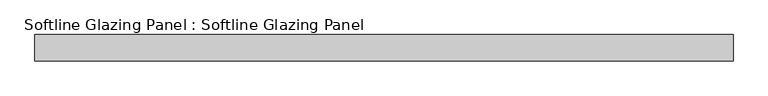
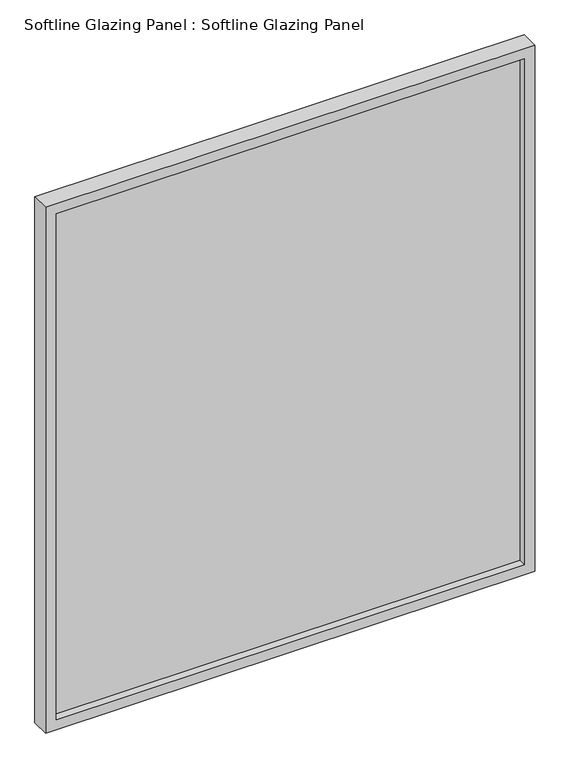
"""IFC4 building model written with IfcOpenShell, lengths in millimetres: plate geometry, Softline Glazing Panel : Softline Glazing Panel."""

from ifc_helpers import new_model, si_unit, frame, origin, place, context, project, spatial, polyline, outline, extrude, faceted_brep, source, transform, mapped, element, save


def softline_glazing_panel_softline_glazing_panel_5a23b535(model_context):
    return source(origin(), model_context, "Body", "SolidModel", [
        extrude(outline(polyline([(584.0, 4.0), (584.0, -4.0), (-584.0, -4.0), (-584.0, 4.0), (584.0, 4.0)])), frame((0.0, 0.0, 16.0), z_axis=(0.0, 0.0, 1.0), x_axis=(1.0, 0.0, 0.0)), (0.0, 0.0, 1.0), 1331.0),
        faceted_brep([(574.0, 4.0, 26.0), (574.0, 22.5, 26.0), (-574.0, 22.5, 26.0), (-574.0, 4.0, 26.0), (584.0, -4.0, 16.0), (584.0, 4.0, 16.0), (-584.0, 4.0, 16.0), (-584.0, -4.0, 16.0), (574.0, -22.5, 26.0), (574.0, -4.0, 26.0), (-574.0, -4.0, 26.0), (-574.0, -22.5, 26.0), (600.0, 22.5, 0.0), (600.0, -22.5, 0.0), (-600.0, -22.5, 0.0), (-600.0, 22.5, 0.0), (-574.0, 22.5, 1337.0), (-574.0, 4.0, 1337.0), (-584.0, 4.0, 1347.0), (-584.0, -4.0, 1347.0), (-574.0, -4.0, 1337.0), (-574.0, -22.5, 1337.0), (-600.0, -22.5, 1363.0), (-600.0, 22.5, 1363.0), (574.0, 22.5, 1337.0), (574.0, 4.0, 1337.0), (584.0, 4.0, 1347.0), (584.0, -4.0, 1347.0), (574.0, -4.0, 1337.0), (574.0, -22.5, 1337.0), (600.0, -22.5, 1363.0), (600.0, 22.5, 1363.0)], [[[0, 1, 2, 3]], [[4, 5, 6, 7]], [[8, 9, 10, 11]], [[12, 13, 14, 15]], [[3, 2, 16, 17]], [[7, 6, 18, 19]], [[11, 10, 20, 21]], [[15, 14, 22, 23]], [[17, 16, 24, 25]], [[19, 18, 26, 27]], [[21, 20, 28, 29]], [[23, 22, 30, 31]], [[15, 23, 31, 12], [1, 24, 16, 2]], [[25, 24, 1, 0]], [[5, 26, 18, 6], [3, 17, 25, 0]], [[27, 26, 5, 4]], [[7, 19, 27, 4], [9, 28, 20, 10]], [[29, 28, 9, 8]], [[13, 30, 22, 14], [11, 21, 29, 8]], [[31, 30, 13, 12]]]),
    ])


if __name__ == "__main__":
    model = new_model("IFC4")
    model_context = context("Model", 3, world=origin())
    ifc_project = project(units=[si_unit("LENGTHUNIT", "METRE", prefix="MILLI")], contexts=[model_context])
    site = spatial("IfcSite", under=ifc_project)
    building = spatial("IfcBuilding", under=site)
    placement = place(None, origin())
    softline_glazing_panel_softline_glazing_panel_shape = softline_glazing_panel_softline_glazing_panel_5a23b535(model_context)
    element("IfcPlate", 1, ObjectType="Softline Glazing Panel : Softline Glazing Panel", at=placement, inside=building, context=model_context, shape_type="MappedRepresentation", body=[
        mapped(softline_glazing_panel_softline_glazing_panel_shape, transform((0.0, 0.0, 0.0), x_axis=(1.0, 0.0, 0.0), y_axis=(0.0, 1.0, 0.0), z_axis=(0.0, 0.0, 1.0))),
    ])
    save(model, "model.ifc")
